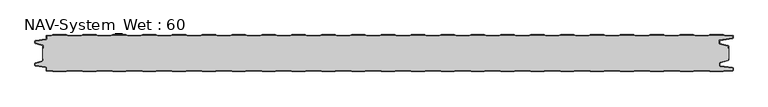
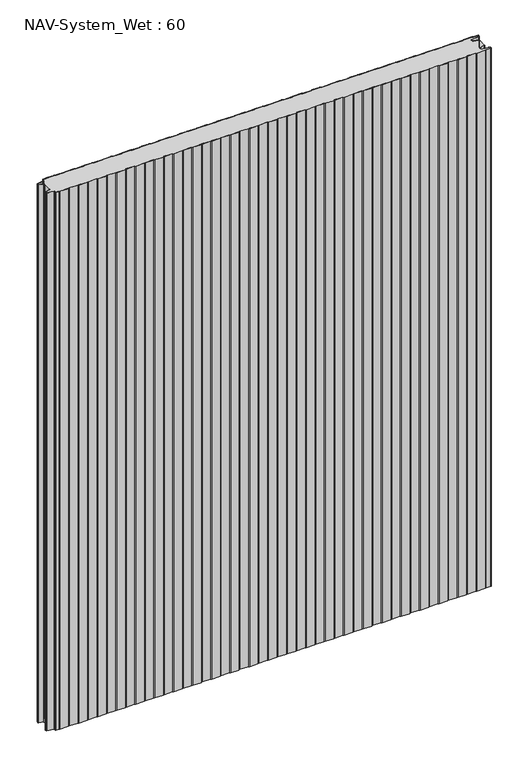
"""IFC4 building model written with IfcOpenShell, lengths in millimetres: plate geometry, NAV-System_Wet : 60."""

from ifc_helpers import new_model, si_unit, point, frame_2d, origin, origin_with_axes, place, context, project, spatial, polyline, circle_curve, trimmed, segment, composite_curve, outline, extrude, source, transform, mapped, element, save


def nav_system_wet_60_c407a346(model_context):
    return source(origin(), model_context, "Body", "SweptSolid", [
        extrude(outline(composite_curve([segment(polyline([(430.3684327, -0.8), (427.3684327, 0.2), (405.3684327, 0.2), (402.3684327, -0.8), (380.3684327, -0.8), (377.3684327, 0.2), (355.3684327, 0.2), (352.3684327, -0.8), (330.3684327, -0.8), (327.3684327, 0.2), (305.3684327, 0.2), (302.3684327, -0.8), (280.3684327, -0.8), (277.3684327, 0.2), (255.3684327, 0.2), (252.3684327, -0.8), (230.3684327, -0.8), (227.3684327, 0.2), (205.3684327, 0.2), (202.3684327, -0.8), (180.3684327, -0.8), (177.3684327, 0.2), (155.3684327, 0.2), (152.3684327, -0.8), (130.3684327, -0.8), (127.3684327, 0.2), (105.3684327, 0.2), (102.3684327, -0.8), (80.3684327, -0.8), (77.3684327, 0.2), (55.3684327, 0.2), (52.3684327, -0.8), (30.3684327, -0.8), (27.3684327, 0.2), (5.3684327, 0.2), (2.3684327, -0.8), (-19.6315673, -0.8), (-22.6315673, 0.2), (-44.6315673, 0.2), (-47.6315673, -0.8), (-69.6315673, -0.8), (-72.6315673, 0.2), (-94.6315673, 0.2), (-97.6315673, -0.8), (-119.6315673, -0.8), (-122.6315673, 0.2), (-144.6315673, 0.2), (-147.6315673, -0.8), (-169.6315673, -0.8), (-172.6315673, 0.2), (-194.6315673, 0.2), (-197.6315673, -0.8), (-219.6315673, -0.8), (-222.6315673, 0.2), (-244.6315673, 0.2), (-247.6315673, -0.8), (-269.6315673, -0.8), (-272.6315673, 0.2), (-294.6315673, 0.2), (-297.6315673, -0.8), (-319.6315673, -0.8), (-322.6315673, 0.2), (-344.6315673, 0.2), (-347.6315673, -0.8), (-369.6315673, -0.8), (-372.6315673, 0.2), (-394.6315673, 0.2), (-397.6315673, -0.8), (-419.6315673, -0.8), (-422.6315673, 0.2), (-444.6315673, 0.2), (-447.6315673, -0.8), (-469.6315673, -0.8), (-472.6315673, 0.2), (-494.6315673, 0.2), (-497.6315673, -0.8), (-519.6315673, -0.8), (-522.6315673, 0.2), (-544.6315673, 0.2), (-547.6315673, -0.8), (-554.7, -0.8)]), True, "CONTINUOUS"), segment(trimmed(circle_curve(frame_2d((-554.7, -1.3)), 0.5), [point((-554.7, -0.8))], [point((-555.2, -1.3))], True, "CARTESIAN"), True, "CONTINUOUS"), segment(polyline([(-555.2, -1.3), (-555.2, -5.3964683)]), True, "CONTINUOUS"), segment(trimmed(circle_curve(frame_2d((-556.7, -5.3964683)), 1.5), [point((-555.2, -5.3964683))], [point((-556.4911207, -6.8818536))], False, "CARTESIAN"), True, "CONTINUOUS"), segment(polyline([(-556.4911207, -6.8818536), (-573.4352183, -9.2645825)]), True, "CONTINUOUS"), segment(trimmed(circle_curve(frame_2d((-573.3114909, -10.1444347)), 0.8885091), [point((-573.4352183, -9.2645825))], [point((-574.2, -10.1444347))], True, "CARTESIAN"), True, "CONTINUOUS"), segment(polyline([(-574.2, -10.1444347), (-574.2, -12.46995)]), True, "CONTINUOUS"), segment(trimmed(circle_curve(frame_2d((-573.6, -12.46995)), 0.6), [point((-574.2, -12.46995))], [point((-573.7552914, -13.0495055))], True, "CARTESIAN"), True, "CONTINUOUS"), segment(polyline([(-573.7552914, -13.0495055), (-562.3785632, -16.0978907)]), True, "CONTINUOUS"), segment(trimmed(circle_curve(frame_2d((-562.7667917, -17.5467794)), 1.5), [point((-562.3785632, -16.0978907))], [point((-561.2667917, -17.5467794))], False, "CARTESIAN"), True, "CONTINUOUS"), segment(polyline([(-561.2667917, -17.5467794), (-561.2667917, -21.0096505), (-562.0667917, -21.0096505), (-562.0667917, -17.5467794)]), True, "CONTINUOUS"), segment(trimmed(circle_curve(frame_2d((-562.7667917, -17.5467794)), 0.7), [point((-562.0667917, -17.5467794))], [point((-562.5856184, -16.8706313))], True, "CARTESIAN"), True, "CONTINUOUS"), segment(polyline([(-562.5856184, -16.8706313), (-574.0364648, -13.8023863)]), True, "CONTINUOUS"), segment(trimmed(circle_curve(frame_2d((-573.7, -12.5466827)), 1.3), [point((-574.0364648, -13.8023863))], [point((-575.0, -12.5466827))], False, "CARTESIAN"), True, "CONTINUOUS"), segment(polyline([(-575.0, -12.5466827), (-575.0, -9.8067363)]), True, "CONTINUOUS"), segment(trimmed(circle_curve(frame_2d((-573.7, -9.8067363)), 1.3), [point((-575.0, -9.8067363))], [point((-573.8810287, -8.5194024))], False, "CARTESIAN"), True, "CONTINUOUS"), segment(polyline([(-573.8810287, -8.5194024), (-556.602523, -6.0896481)]), True, "CONTINUOUS"), segment(trimmed(circle_curve(frame_2d((-556.7, -5.3964683)), 0.7), [point((-556.602523, -6.0896481))], [point((-556.0, -5.3964683))], True, "CARTESIAN"), True, "CONTINUOUS"), segment(polyline([(-556.0, -5.3964683), (-556.0, -1.3)]), True, "CONTINUOUS"), segment(trimmed(circle_curve(frame_2d((-554.7, -1.3)), 1.3), [point((-556.0, -1.3))], [point((-554.7, 0.0))], False, "CARTESIAN"), True, "CONTINUOUS"), segment(polyline([(-554.7, 0.0), (-547.7613895, 0.0), (-544.7613895, 1.0), (-522.5017452, 1.0), (-519.5017452, 0.0), (-497.7613895, 0.0), (-494.7613895, 1.0), (-472.5017452, 1.0), (-469.5017452, 0.0), (-447.7613895, 0.0), (-444.7613895, 1.0), (-422.5017452, 1.0), (-419.5017452, 0.0), (-397.7613895, 0.0), (-394.7613895, 1.0), (-372.5017452, 1.0), (-369.5017452, 0.0), (-347.7613895, 0.0), (-344.7613895, 1.0), (-322.5017452, 1.0), (-319.5017452, 0.0), (-297.7613895, 0.0), (-294.7613895, 1.0), (-272.5017452, 1.0), (-269.5017452, 0.0), (-247.7613895, 0.0), (-244.7613895, 1.0), (-222.5017452, 1.0), (-219.5017452, 0.0), (-197.7613895, 0.0), (-194.7613895, 1.0), (-172.5017452, 1.0), (-169.5017452, 0.0), (-147.7613895, 0.0), (-144.7613895, 1.0), (-122.5017452, 1.0), (-119.5017452, 0.0), (-97.7613895, 0.0), (-94.7613895, 1.0), (-72.5017452, 1.0), (-69.5017452, 0.0), (-47.7613895, 0.0), (-44.7613895, 1.0), (-22.5017452, 1.0), (-19.5017452, 0.0), (2.2386105, 0.0), (5.2386105, 1.0), (27.4982548, 1.0), (30.4982548, 0.0), (52.2386105, 0.0), (55.2386105, 1.0), (77.4982548, 1.0), (80.4982548, 0.0), (102.2386105, 0.0), (105.2386105, 1.0), (127.4982548, 1.0), (130.4982548, 0.0), (152.2386105, 0.0), (155.2386105, 1.0), (177.4982548, 1.0), (180.4982548, 0.0), (202.2386105, 0.0), (205.2386105, 1.0), (227.4982548, 1.0), (230.4982548, 0.0), (252.2386105, 0.0), (255.2386105, 1.0), (277.4982548, 1.0), (280.4982548, 0.0), (302.2386105, 0.0), (305.2386105, 1.0), (327.4982548, 1.0), (330.4982548, 0.0), (352.2386105, 0.0), (355.2386105, 1.0), (377.4982548, 1.0), (380.4982548, 0.0), (402.2386105, 0.0), (405.2386105, 1.0), (427.4982548, 1.0), (430.4982548, 0.0), (452.2386105, 0.0), (455.2386105, 1.0), (477.4982548, 1.0), (480.4982548, 0.0), (502.2386105, 0.0), (505.2386105, 1.0), (527.4982548, 1.0), (530.4982548, 0.0), (552.2386105, 0.0), (555.2386105, 1.0), (577.4982548, 1.0), (580.4982548, 0.0), (592.7, 0.0)]), True, "CONTINUOUS"), segment(trimmed(circle_curve(frame_2d((592.7, -1.3)), 1.3), [point((592.7, 0.0))], [point((594.0, -1.3))], False, "CARTESIAN"), True, "CONTINUOUS"), segment(polyline([(594.0, -1.3), (594.0, -4.3700191)]), True, "CONTINUOUS"), segment(trimmed(circle_curve(frame_2d((592.7, -4.3700191)), 1.3), [point((594.0, -4.3700191))], [point((592.8810287, -5.657353))], False, "CARTESIAN"), True, "CONTINUOUS"), segment(polyline([(592.8810287, -5.657353), (572.102523, -8.5792877)]), True, "CONTINUOUS"), segment(trimmed(circle_curve(frame_2d((572.2, -9.2724675)), 0.7), [point((572.102523, -8.5792877))], [point((571.5, -9.2724675))], True, "CARTESIAN"), True, "CONTINUOUS"), segment(polyline([(571.5, -9.2724675), (571.5, -13.0812756)]), True, "CONTINUOUS"), segment(trimmed(circle_curve(frame_2d((572.2, -13.0812756)), 0.7), [point((571.5, -13.0812756))], [point((572.0188267, -13.7574237))], True, "CARTESIAN"), True, "CONTINUOUS"), segment(polyline([(572.0188267, -13.7574237), (585.4205101, -17.3483939)]), True, "CONTINUOUS"), segment(trimmed(circle_curve(frame_2d((585.0840453, -18.6040975)), 1.3), [point((585.4205101, -17.3483939))], [point((586.3840453, -18.6040975))], False, "CARTESIAN"), True, "CONTINUOUS"), segment(polyline([(586.3840453, -18.6040975), (586.3840453, -21.0096505), (585.5840453, -21.0096505), (585.5840453, -18.6808302)]), True, "CONTINUOUS"), segment(trimmed(circle_curve(frame_2d((584.9840453, -18.6808302)), 0.6), [point((585.5840453, -18.6808302))], [point((585.1393367, -18.1012747))], True, "CARTESIAN"), True, "CONTINUOUS"), segment(polyline([(585.1393367, -18.1012747), (571.8117714, -14.5301644)]), True, "CONTINUOUS"), segment(trimmed(circle_curve(frame_2d((572.2, -13.0812756)), 1.5), [point((571.8117714, -14.5301644))], [point((570.7, -13.0812756))], False, "CARTESIAN"), True, "CONTINUOUS"), segment(polyline([(570.7, -13.0812756), (570.7, -9.2724675)]), True, "CONTINUOUS"), segment(trimmed(circle_curve(frame_2d((572.2, -9.2724675)), 1.5), [point((570.7, -9.2724675))], [point((571.9911207, -7.7870822))], False, "CARTESIAN"), True, "CONTINUOUS"), segment(polyline([(571.9911207, -7.7870822), (592.6835517, -4.8772516)]), True, "CONTINUOUS"), segment(trimmed(circle_curve(frame_2d((592.6, -4.2830975)), 0.6), [point((592.6835517, -4.8772516))], [point((593.2, -4.2830975))], True, "CARTESIAN"), True, "CONTINUOUS"), segment(polyline([(593.2, -4.2830975), (593.2, -1.3)]), True, "CONTINUOUS"), segment(trimmed(circle_curve(frame_2d((592.7, -1.3)), 0.5), [point((593.2, -1.3))], [point((592.7, -0.8))], True, "CARTESIAN"), True, "CONTINUOUS"), segment(polyline([(592.7, -0.8), (580.3684327, -0.8), (577.3684327, 0.2), (555.3684327, 0.2), (552.3684327, -0.8), (530.3684327, -0.8), (527.3684327, 0.2), (505.3684327, 0.2), (502.3684327, -0.8), (480.3684327, -0.8), (477.3684327, 0.2), (455.3684327, 0.2), (452.3684327, -0.8), (430.3684327, -0.8)]), True, "CONTINUOUS")], self_intersect=False)), origin_with_axes(), (0.0, 0.0, 1.0), 1500.0),
        extrude(outline(composite_curve([segment(polyline([(430.3684327, -0.8), (452.3684327, -0.8), (455.3684327, 0.2), (477.3684327, 0.2), (480.3684327, -0.8), (502.3684327, -0.8), (505.3684327, 0.2), (527.3684327, 0.2), (530.3684327, -0.8), (552.3684327, -0.8), (555.3684327, 0.2), (577.3684327, 0.2), (580.3684327, -0.8), (592.7, -0.8)]), True, "CONTINUOUS"), segment(trimmed(circle_curve(frame_2d((592.7, -1.3)), 0.5), [point((592.7, -0.8))], [point((593.2, -1.3))], False, "CARTESIAN"), True, "CONTINUOUS"), segment(polyline([(593.2, -1.3), (593.2, -4.2830975)]), True, "CONTINUOUS"), segment(trimmed(circle_curve(frame_2d((592.6, -4.2830975)), 0.6), [point((593.2, -4.2830975))], [point((592.6835517, -4.8772516))], False, "CARTESIAN"), True, "CONTINUOUS"), segment(polyline([(592.6835517, -4.8772516), (571.9911207, -7.7870822)]), True, "CONTINUOUS"), segment(trimmed(circle_curve(frame_2d((572.2, -9.2724675)), 1.5), [point((571.9911207, -7.7870822))], [point((570.7, -9.2724675))], True, "CARTESIAN"), True, "CONTINUOUS"), segment(polyline([(570.7, -9.2724675), (570.7, -13.0812756)]), True, "CONTINUOUS"), segment(trimmed(circle_curve(frame_2d((572.2, -13.0812756)), 1.5), [point((570.7, -13.0812756))], [point((571.8117714, -14.5301644))], True, "CARTESIAN"), True, "CONTINUOUS"), segment(polyline([(571.8117714, -14.5301644), (585.1393367, -18.1012747)]), True, "CONTINUOUS"), segment(trimmed(circle_curve(frame_2d((584.9840453, -18.6808302)), 0.6), [point((585.1393367, -18.1012747))], [point((585.5840453, -18.6808302))], False, "CARTESIAN"), True, "CONTINUOUS"), segment(polyline([(585.5840453, -18.6808302), (585.5840453, -21.0096505), (586.3840453, -21.0096505), (586.3840453, -38.9903495), (585.5840453, -38.9903495), (585.5840453, -41.3191698)]), True, "CONTINUOUS"), segment(trimmed(circle_curve(frame_2d((584.9840453, -41.3191698)), 0.6), [point((585.5840453, -41.3191698))], [point((585.1393367, -41.8987253))], False, "CARTESIAN"), True, "CONTINUOUS"), segment(polyline([(585.1393367, -41.8987253), (571.8117714, -45.4698356)]), True, "CONTINUOUS"), segment(trimmed(circle_curve(frame_2d((572.2, -46.9187244)), 1.5), [point((571.8117714, -45.4698356))], [point((570.7, -46.9187244))], True, "CARTESIAN"), True, "CONTINUOUS"), segment(polyline([(570.7, -46.9187244), (570.7, -50.7275325)]), True, "CONTINUOUS"), segment(trimmed(circle_curve(frame_2d((572.2, -50.7275325)), 1.5), [point((570.7, -50.7275325))], [point((571.9911207, -52.2129178))], True, "CARTESIAN"), True, "CONTINUOUS"), segment(polyline([(571.9911207, -52.2129178), (592.6835517, -55.1227484)]), True, "CONTINUOUS"), segment(trimmed(circle_curve(frame_2d((592.6, -55.7169025)), 0.6), [point((592.6835517, -55.1227484))], [point((593.2, -55.7169025))], False, "CARTESIAN"), True, "CONTINUOUS"), segment(polyline([(593.2, -55.7169025), (593.2, -58.7)]), True, "CONTINUOUS"), segment(trimmed(circle_curve(frame_2d((592.7, -58.7)), 0.5), [point((593.2, -58.7))], [point((592.7, -59.2))], False, "CARTESIAN"), True, "CONTINUOUS"), segment(polyline([(592.7, -59.2), (580.3684327, -59.2), (577.3684327, -60.2), (555.3684327, -60.2), (552.3684327, -59.2), (530.3684327, -59.2), (527.3684327, -60.2), (505.3684327, -60.2), (502.3684327, -59.2), (480.3684327, -59.2), (477.3684327, -60.2), (455.3684327, -60.2), (452.3684327, -59.2), (430.3684327, -59.2), (427.3684327, -60.2), (405.3684327, -60.2), (402.3684327, -59.2), (380.3684327, -59.2), (377.3684327, -60.2), (355.3684327, -60.2), (352.3684327, -59.2), (330.3684327, -59.2), (327.3684327, -60.2), (305.3684327, -60.2), (302.3684327, -59.2), (280.3684327, -59.2), (277.3684327, -60.2), (255.3684327, -60.2), (252.3684327, -59.2), (230.3684327, -59.2), (227.3684327, -60.2), (205.3684327, -60.2), (202.3684327, -59.2), (180.3684327, -59.2), (177.3684327, -60.2), (155.3684327, -60.2), (152.3684327, -59.2), (130.3684327, -59.2), (127.3684327, -60.2), (105.3684327, -60.2), (102.3684327, -59.2), (80.3684327, -59.2), (77.3684327, -60.2), (55.3684327, -60.2), (52.3684327, -59.2), (30.3684327, -59.2), (27.3684327, -60.2), (5.3684327, -60.2), (2.3684327, -59.2), (-19.6315673, -59.2), (-22.6315673, -60.2), (-44.6315673, -60.2), (-47.6315673, -59.2), (-69.6315673, -59.2), (-72.6315673, -60.2), (-94.6315673, -60.2), (-97.6315673, -59.2), (-119.6315673, -59.2), (-122.6315673, -60.2), (-144.6315673, -60.2), (-147.6315673, -59.2), (-169.6315673, -59.2), (-172.6315673, -60.2), (-194.6315673, -60.2), (-197.6315673, -59.2), (-219.6315673, -59.2), (-222.6315673, -60.2), (-244.6315673, -60.2), (-247.6315673, -59.2), (-269.6315673, -59.2), (-272.6315673, -60.2), (-294.6315673, -60.2), (-297.6315673, -59.2), (-319.6315673, -59.2), (-322.6315673, -60.2), (-344.6315673, -60.2), (-347.6315673, -59.2), (-369.6315673, -59.2), (-372.6315673, -60.2), (-394.6315673, -60.2), (-397.6315673, -59.2), (-419.6315673, -59.2), (-422.6315673, -60.2), (-444.6315673, -60.2), (-447.6315673, -59.2), (-469.6315673, -59.2), (-472.6315673, -60.2), (-494.6315673, -60.2), (-497.6315673, -59.2), (-519.6315673, -59.2), (-522.6315673, -60.2), (-544.6315673, -60.2), (-547.6315673, -59.2), (-554.7, -59.2)]), True, "CONTINUOUS"), segment(trimmed(circle_curve(frame_2d((-554.7, -58.7)), 0.5), [point((-554.7, -59.2))], [point((-555.2, -58.7))], False, "CARTESIAN"), True, "CONTINUOUS"), segment(polyline([(-555.2, -58.7), (-555.2, -54.6035317)]), True, "CONTINUOUS"), segment(trimmed(circle_curve(frame_2d((-556.7, -54.6035317)), 1.5), [point((-555.2, -54.6035317))], [point((-556.4911207, -53.1181464))], True, "CARTESIAN"), True, "CONTINUOUS"), segment(polyline([(-556.4911207, -53.1181464), (-573.4352183, -50.7354175)]), True, "CONTINUOUS"), segment(trimmed(circle_curve(frame_2d((-573.3114909, -49.8555653)), 0.8885091), [point((-573.4352183, -50.7354175))], [point((-574.2, -49.8555653))], False, "CARTESIAN"), True, "CONTINUOUS"), segment(polyline([(-574.2, -49.8555653), (-574.2, -47.53005)]), True, "CONTINUOUS"), segment(trimmed(circle_curve(frame_2d((-573.6, -47.53005)), 0.6), [point((-574.2, -47.53005))], [point((-573.7552914, -46.9504945))], False, "CARTESIAN"), True, "CONTINUOUS"), segment(polyline([(-573.7552914, -46.9504945), (-562.3785632, -43.9021093)]), True, "CONTINUOUS"), segment(trimmed(circle_curve(frame_2d((-562.7667917, -42.4532206)), 1.5), [point((-562.3785632, -43.9021093))], [point((-561.2667917, -42.4532206))], True, "CARTESIAN"), True, "CONTINUOUS"), segment(polyline([(-561.2667917, -42.4532206), (-561.2667917, -38.9903495), (-562.0667917, -38.9903495), (-562.0667917, -21.0096505), (-561.2667917, -21.0096505), (-561.2667917, -17.5467794)]), True, "CONTINUOUS"), segment(trimmed(circle_curve(frame_2d((-562.7667917, -17.5467794)), 1.5), [point((-561.2667917, -17.5467794))], [point((-562.3785632, -16.0978907))], True, "CARTESIAN"), True, "CONTINUOUS"), segment(polyline([(-562.3785632, -16.0978907), (-573.7552914, -13.0495055)]), True, "CONTINUOUS"), segment(trimmed(circle_curve(frame_2d((-573.6, -12.46995)), 0.6), [point((-573.7552914, -13.0495055))], [point((-574.2, -12.46995))], False, "CARTESIAN"), True, "CONTINUOUS"), segment(polyline([(-574.2, -12.46995), (-574.2, -10.1444347)]), True, "CONTINUOUS"), segment(trimmed(circle_curve(frame_2d((-573.3114909, -10.1444347)), 0.8885091), [point((-574.2, -10.1444347))], [point((-573.4352183, -9.2645825))], False, "CARTESIAN"), True, "CONTINUOUS"), segment(polyline([(-573.4352183, -9.2645825), (-556.4911207, -6.8818536)]), True, "CONTINUOUS"), segment(trimmed(circle_curve(frame_2d((-556.7, -5.3964683)), 1.5), [point((-556.4911207, -6.8818536))], [point((-555.2, -5.3964683))], True, "CARTESIAN"), True, "CONTINUOUS"), segment(polyline([(-555.2, -5.3964683), (-555.2, -1.3)]), True, "CONTINUOUS"), segment(trimmed(circle_curve(frame_2d((-554.7, -1.3)), 0.5), [point((-555.2, -1.3))], [point((-554.7, -0.8))], False, "CARTESIAN"), True, "CONTINUOUS"), segment(polyline([(-554.7, -0.8), (-547.6315673, -0.8), (-544.6315673, 0.2), (-522.6315673, 0.2), (-519.6315673, -0.8), (-497.6315673, -0.8), (-494.6315673, 0.2), (-472.6315673, 0.2), (-469.6315673, -0.8), (-447.6315673, -0.8), (-444.6315673, 0.2), (-422.6315673, 0.2), (-419.6315673, -0.8), (-397.6315673, -0.8), (-394.6315673, 0.2), (-372.6315673, 0.2), (-369.6315673, -0.8), (-347.6315673, -0.8), (-344.6315673, 0.2), (-322.6315673, 0.2), (-319.6315673, -0.8), (-297.6315673, -0.8), (-294.6315673, 0.2), (-272.6315673, 0.2), (-269.6315673, -0.8), (-247.6315673, -0.8), (-244.6315673, 0.2), (-222.6315673, 0.2), (-219.6315673, -0.8), (-197.6315673, -0.8), (-194.6315673, 0.2), (-172.6315673, 0.2), (-169.6315673, -0.8), (-147.6315673, -0.8), (-144.6315673, 0.2), (-122.6315673, 0.2), (-119.6315673, -0.8), (-97.6315673, -0.8), (-94.6315673, 0.2), (-72.6315673, 0.2), (-69.6315673, -0.8), (-47.6315673, -0.8), (-44.6315673, 0.2), (-22.6315673, 0.2), (-19.6315673, -0.8), (2.3684327, -0.8), (5.3684327, 0.2), (27.3684327, 0.2), (30.3684327, -0.8), (52.3684327, -0.8), (55.3684327, 0.2), (77.3684327, 0.2), (80.3684327, -0.8), (102.3684327, -0.8), (105.3684327, 0.2), (127.3684327, 0.2), (130.3684327, -0.8), (152.3684327, -0.8), (155.3684327, 0.2), (177.3684327, 0.2), (180.3684327, -0.8), (202.3684327, -0.8), (205.3684327, 0.2), (227.3684327, 0.2), (230.3684327, -0.8), (252.3684327, -0.8), (255.3684327, 0.2), (277.3684327, 0.2), (280.3684327, -0.8), (302.3684327, -0.8), (305.3684327, 0.2), (327.3684327, 0.2), (330.3684327, -0.8), (352.3684327, -0.8), (355.3684327, 0.2), (377.3684327, 0.2), (380.3684327, -0.8), (402.3684327, -0.8), (405.3684327, 0.2), (427.3684327, 0.2), (430.3684327, -0.8)]), True, "CONTINUOUS")], self_intersect=False)), origin_with_axes(), (0.0, 0.0, 1.0), 1500.0),
        extrude(outline(composite_curve([segment(polyline([(430.3684327, -59.2), (452.3684327, -59.2), (455.3684327, -60.2), (477.3684327, -60.2), (480.3684327, -59.2), (502.3684327, -59.2), (505.3684327, -60.2), (527.3684327, -60.2), (530.3684327, -59.2), (552.3684327, -59.2), (555.3684327, -60.2), (577.3684327, -60.2), (580.3684327, -59.2), (592.7, -59.2)]), True, "CONTINUOUS"), segment(trimmed(circle_curve(frame_2d((592.7, -58.7)), 0.5), [point((592.7, -59.2))], [point((593.2, -58.7))], True, "CARTESIAN"), True, "CONTINUOUS"), segment(polyline([(593.2, -58.7), (593.2, -55.7169025)]), True, "CONTINUOUS"), segment(trimmed(circle_curve(frame_2d((592.6, -55.7169025)), 0.6), [point((593.2, -55.7169025))], [point((592.6835517, -55.1227484))], True, "CARTESIAN"), True, "CONTINUOUS"), segment(polyline([(592.6835517, -55.1227484), (571.9911207, -52.2129178)]), True, "CONTINUOUS"), segment(trimmed(circle_curve(frame_2d((572.2, -50.7275325)), 1.5), [point((571.9911207, -52.2129178))], [point((570.7, -50.7275325))], False, "CARTESIAN"), True, "CONTINUOUS"), segment(polyline([(570.7, -50.7275325), (570.7, -46.9187244)]), True, "CONTINUOUS"), segment(trimmed(circle_curve(frame_2d((572.2, -46.9187244)), 1.5), [point((570.7, -46.9187244))], [point((571.8117714, -45.4698356))], False, "CARTESIAN"), True, "CONTINUOUS"), segment(polyline([(571.8117714, -45.4698356), (585.1393367, -41.8987253)]), True, "CONTINUOUS"), segment(trimmed(circle_curve(frame_2d((584.9840453, -41.3191698)), 0.6), [point((585.1393367, -41.8987253))], [point((585.5840453, -41.3191698))], True, "CARTESIAN"), True, "CONTINUOUS"), segment(polyline([(585.5840453, -41.3191698), (585.5840453, -38.9903495), (586.3840453, -38.9903495), (586.3840453, -41.3959025)]), True, "CONTINUOUS"), segment(trimmed(circle_curve(frame_2d((585.0840453, -41.3959025)), 1.3), [point((586.3840453, -41.3959025))], [point((585.4205101, -42.6516061))], False, "CARTESIAN"), True, "CONTINUOUS"), segment(polyline([(585.4205101, -42.6516061), (572.0188267, -46.2425763)]), True, "CONTINUOUS"), segment(trimmed(circle_curve(frame_2d((572.2, -46.9187244)), 0.7), [point((572.0188267, -46.2425763))], [point((571.5, -46.9187244))], True, "CARTESIAN"), True, "CONTINUOUS"), segment(polyline([(571.5, -46.9187244), (571.5, -50.7275325)]), True, "CONTINUOUS"), segment(trimmed(circle_curve(frame_2d((572.2, -50.7275325)), 0.7), [point((571.5, -50.7275325))], [point((572.102523, -51.4207123))], True, "CARTESIAN"), True, "CONTINUOUS"), segment(polyline([(572.102523, -51.4207123), (592.8810287, -54.342647)]), True, "CONTINUOUS"), segment(trimmed(circle_curve(frame_2d((592.7, -55.6299809)), 1.3), [point((592.8810287, -54.342647))], [point((594.0, -55.6299809))], False, "CARTESIAN"), True, "CONTINUOUS"), segment(polyline([(594.0, -55.6299809), (594.0, -58.7)]), True, "CONTINUOUS"), segment(trimmed(circle_curve(frame_2d((592.7, -58.7)), 1.3), [point((594.0, -58.7))], [point((592.7, -60.0))], False, "CARTESIAN"), True, "CONTINUOUS"), segment(polyline([(592.7, -60.0), (580.4982548, -60.0), (577.4982548, -61.0), (555.2386105, -61.0), (552.2386105, -60.0), (530.4982548, -60.0), (527.4982548, -61.0), (505.2386105, -61.0), (502.2386105, -60.0), (480.4982548, -60.0), (477.4982548, -61.0), (455.2386105, -61.0), (452.2386105, -60.0), (430.4982548, -60.0), (427.4982548, -61.0), (405.2386105, -61.0), (402.2386105, -60.0), (380.4982548, -60.0), (377.4982548, -61.0), (355.2386105, -61.0), (352.2386105, -60.0), (330.4982548, -60.0), (327.4982548, -61.0), (305.2386105, -61.0), (302.2386105, -60.0), (280.4982548, -60.0), (277.4982548, -61.0), (255.2386105, -61.0), (252.2386105, -60.0), (230.4982548, -60.0), (227.4982548, -61.0), (205.2386105, -61.0), (202.2386105, -60.0), (180.4982548, -60.0), (177.4982548, -61.0), (155.2386105, -61.0), (152.2386105, -60.0), (130.4982548, -60.0), (127.4982548, -61.0), (105.2386105, -61.0), (102.2386105, -60.0), (80.4982548, -60.0), (77.4982548, -61.0), (55.2386105, -61.0), (52.2386105, -60.0), (30.4982548, -60.0), (27.4982548, -61.0), (5.2386105, -61.0), (2.2386105, -60.0), (-19.5017452, -60.0), (-22.5017452, -61.0), (-44.7613895, -61.0), (-47.7613895, -60.0), (-69.5017452, -60.0), (-72.5017452, -61.0), (-94.7613895, -61.0), (-97.7613895, -60.0), (-119.5017452, -60.0), (-122.5017452, -61.0), (-144.7613895, -61.0), (-147.7613895, -60.0), (-169.5017452, -60.0), (-172.5017452, -61.0), (-194.7613895, -61.0), (-197.7613895, -60.0), (-219.5017452, -60.0), (-222.5017452, -61.0), (-244.7613895, -61.0), (-247.7613895, -60.0), (-269.5017452, -60.0), (-272.5017452, -61.0), (-294.7613895, -61.0), (-297.7613895, -60.0), (-319.5017452, -60.0), (-322.5017452, -61.0), (-344.7613895, -61.0), (-347.7613895, -60.0), (-369.5017452, -60.0), (-372.5017452, -61.0), (-394.7613895, -61.0), (-397.7613895, -60.0), (-419.5017452, -60.0), (-422.5017452, -61.0), (-444.7613895, -61.0), (-447.7613895, -60.0), (-469.5017452, -60.0), (-472.5017452, -61.0), (-494.7613895, -61.0), (-497.7613895, -60.0), (-519.5017452, -60.0), (-522.5017452, -61.0), (-544.7613895, -61.0), (-547.7613895, -60.0), (-554.7, -60.0)]), True, "CONTINUOUS"), segment(trimmed(circle_curve(frame_2d((-554.7, -58.7)), 1.3), [point((-554.7, -60.0))], [point((-556.0, -58.7))], False, "CARTESIAN"), True, "CONTINUOUS"), segment(polyline([(-556.0, -58.7), (-556.0, -54.6035317)]), True, "CONTINUOUS"), segment(trimmed(circle_curve(frame_2d((-556.7, -54.6035317)), 0.7), [point((-556.0, -54.6035317))], [point((-556.602523, -53.9103519))], True, "CARTESIAN"), True, "CONTINUOUS"), segment(polyline([(-556.602523, -53.9103519), (-573.8810287, -51.4805976)]), True, "CONTINUOUS"), segment(trimmed(circle_curve(frame_2d((-573.7, -50.1932637)), 1.3), [point((-573.8810287, -51.4805976))], [point((-575.0, -50.1932637))], False, "CARTESIAN"), True, "CONTINUOUS"), segment(polyline([(-575.0, -50.1932637), (-575.0, -47.4533173)]), True, "CONTINUOUS"), segment(trimmed(circle_curve(frame_2d((-573.7, -47.4533173)), 1.3), [point((-575.0, -47.4533173))], [point((-574.0364648, -46.1976137))], False, "CARTESIAN"), True, "CONTINUOUS"), segment(polyline([(-574.0364648, -46.1976137), (-562.5856184, -43.1293687)]), True, "CONTINUOUS"), segment(trimmed(circle_curve(frame_2d((-562.7667917, -42.4532206)), 0.7), [point((-562.5856184, -43.1293687))], [point((-562.0667917, -42.4532206))], True, "CARTESIAN"), True, "CONTINUOUS"), segment(polyline([(-562.0667917, -42.4532206), (-562.0667917, -38.9903495), (-561.2667917, -38.9903495), (-561.2667917, -42.4532206)]), True, "CONTINUOUS"), segment(trimmed(circle_curve(frame_2d((-562.7667917, -42.4532206)), 1.5), [point((-561.2667917, -42.4532206))], [point((-562.3785632, -43.9021093))], False, "CARTESIAN"), True, "CONTINUOUS"), segment(polyline([(-562.3785632, -43.9021093), (-573.7552914, -46.9504945)]), True, "CONTINUOUS"), segment(trimmed(circle_curve(frame_2d((-573.6, -47.53005)), 0.6), [point((-573.7552914, -46.9504945))], [point((-574.2, -47.53005))], True, "CARTESIAN"), True, "CONTINUOUS"), segment(polyline([(-574.2, -47.53005), (-574.2, -49.8555653)]), True, "CONTINUOUS"), segment(trimmed(circle_curve(frame_2d((-573.3114909, -49.8555653)), 0.8885091), [point((-574.2, -49.8555653))], [point((-573.4352183, -50.7354175))], True, "CARTESIAN"), True, "CONTINUOUS"), segment(polyline([(-573.4352183, -50.7354175), (-556.4911207, -53.1181464)]), True, "CONTINUOUS"), segment(trimmed(circle_curve(frame_2d((-556.7, -54.6035317)), 1.5), [point((-556.4911207, -53.1181464))], [point((-555.2, -54.6035317))], False, "CARTESIAN"), True, "CONTINUOUS"), segment(polyline([(-555.2, -54.6035317), (-555.2, -58.7)]), True, "CONTINUOUS"), segment(trimmed(circle_curve(frame_2d((-554.7, -58.7)), 0.5), [point((-555.2, -58.7))], [point((-554.7, -59.2))], True, "CARTESIAN"), True, "CONTINUOUS"), segment(polyline([(-554.7, -59.2), (-547.6315673, -59.2), (-544.6315673, -60.2), (-522.6315673, -60.2), (-519.6315673, -59.2), (-497.6315673, -59.2), (-494.6315673, -60.2), (-472.6315673, -60.2), (-469.6315673, -59.2), (-447.6315673, -59.2), (-444.6315673, -60.2), (-422.6315673, -60.2), (-419.6315673, -59.2), (-397.6315673, -59.2), (-394.6315673, -60.2), (-372.6315673, -60.2), (-369.6315673, -59.2), (-347.6315673, -59.2), (-344.6315673, -60.2), (-322.6315673, -60.2), (-319.6315673, -59.2), (-297.6315673, -59.2), (-294.6315673, -60.2), (-272.6315673, -60.2), (-269.6315673, -59.2), (-247.6315673, -59.2), (-244.6315673, -60.2), (-222.6315673, -60.2), (-219.6315673, -59.2), (-197.6315673, -59.2), (-194.6315673, -60.2), (-172.6315673, -60.2), (-169.6315673, -59.2), (-147.6315673, -59.2), (-144.6315673, -60.2), (-122.6315673, -60.2), (-119.6315673, -59.2), (-97.6315673, -59.2), (-94.6315673, -60.2), (-72.6315673, -60.2), (-69.6315673, -59.2), (-47.6315673, -59.2), (-44.6315673, -60.2), (-22.6315673, -60.2), (-19.6315673, -59.2), (2.3684327, -59.2), (5.3684327, -60.2), (27.3684327, -60.2), (30.3684327, -59.2), (52.3684327, -59.2), (55.3684327, -60.2), (77.3684327, -60.2), (80.3684327, -59.2), (102.3684327, -59.2), (105.3684327, -60.2), (127.3684327, -60.2), (130.3684327, -59.2), (152.3684327, -59.2), (155.3684327, -60.2), (177.3684327, -60.2), (180.3684327, -59.2), (202.3684327, -59.2), (205.3684327, -60.2), (227.3684327, -60.2), (230.3684327, -59.2), (252.3684327, -59.2), (255.3684327, -60.2), (277.3684327, -60.2), (280.3684327, -59.2), (302.3684327, -59.2), (305.3684327, -60.2), (327.3684327, -60.2), (330.3684327, -59.2), (352.3684327, -59.2), (355.3684327, -60.2), (377.3684327, -60.2), (380.3684327, -59.2), (402.3684327, -59.2), (405.3684327, -60.2), (427.3684327, -60.2), (430.3684327, -59.2)]), True, "CONTINUOUS")], self_intersect=False)), origin_with_axes(), (0.0, 0.0, 1.0), 1500.0),
    ])


if __name__ == "__main__":
    model = new_model("IFC4")
    model_context = context("Model", 3, world=origin())
    ifc_project = project(units=[si_unit("LENGTHUNIT", "METRE", prefix="MILLI")], contexts=[model_context])
    site = spatial("IfcSite", under=ifc_project)
    building = spatial("IfcBuilding", under=site)
    placement = place(None, origin())
    nav_system_wet_60_shape = nav_system_wet_60_c407a346(model_context)
    element("IfcPlate", 1, ObjectType="NAV-System_Wet : 60", at=placement, inside=building, context=model_context, shape_type="MappedRepresentation", body=[
        mapped(nav_system_wet_60_shape, transform((0.0, 0.0, 0.0), x_axis=(1.0, 0.0, 0.0), y_axis=(0.0, 1.0, 0.0), z_axis=(0.0, 0.0, 1.0))),
    ])
    save(model, "model.ifc")
